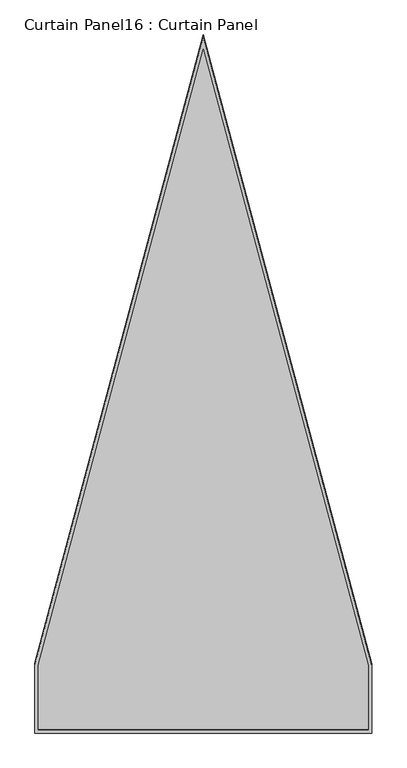
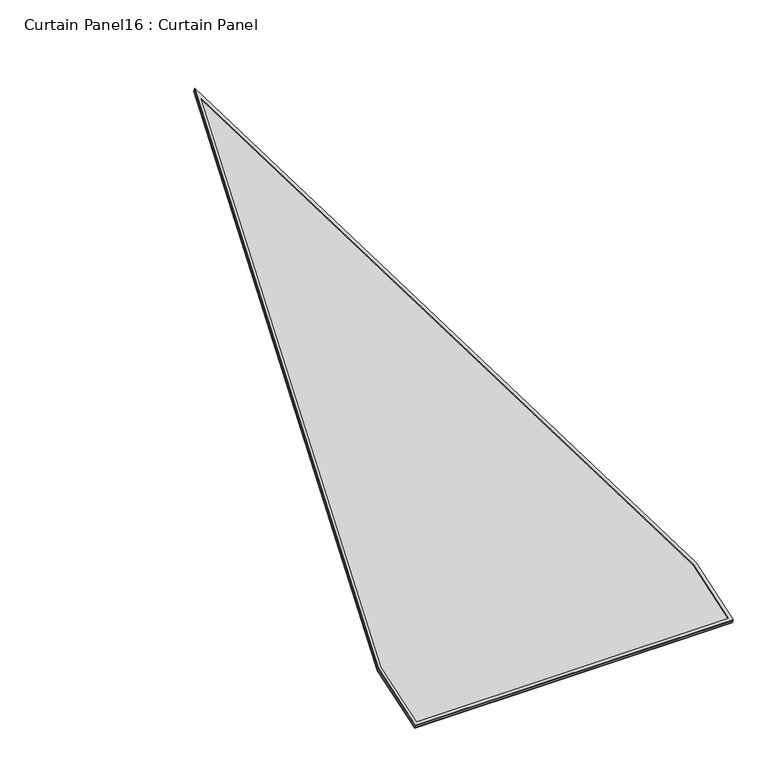
"""IFC4 building model written with IfcOpenShell, lengths in millimetres: plate geometry, Curtain Panel16 : Curtain Panel."""

import ifcopenshell
import ifcopenshell.guid

model = None  # the IFC model being written
_history = None  # IfcOwnerHistory: only IFC2X3 demands one
_inside = {}  # id of a spatial element -> (the spatial element, [elements in it])
_under = {}  # id of a project, library or spatial element -> (it, [spatial elements below it])
_declared = {}  # id of a project -> (the project, [libraries it declares])
_typed = {}  # id of a type object -> (the type object, [elements of that type])
_made_of = {}  # id of a material, layer set ... -> (it, [elements and type objects made of it])


def new_model(schema):
    """Start an empty IFC model of exactly this schema.

    Asked for "IFC4X3", IfcOpenShell would pick the latest addendum, in which some entities
    have other attributes; the version numbers below select the first issue.
    IFC2X3 requires an IfcOwnerHistory on every rooted entity: one is made here for all.
    """
    global model, _history
    if schema == "IFC4X3":
        model = ifcopenshell.file(schema_version=(4, 3, 0, 0))
    else:
        model = ifcopenshell.file(schema=schema)
    _inside.clear()
    _under.clear()
    _declared.clear()
    _typed.clear()
    _made_of.clear()
    _history = None
    if model.schema == "IFC2X3":
        org = make("IfcOrganization", Name="unknown")
        user = make(
            "IfcPersonAndOrganization",
            ThePerson=make("IfcPerson", FamilyName="unknown"),
            TheOrganization=org,
        )
        app = make(
            "IfcApplication",
            ApplicationDeveloper=org,
            Version="unknown",
            ApplicationFullName="unknown",
            ApplicationIdentifier="unknown",
        )
        _history = make(
            "IfcOwnerHistory",
            OwningUser=user,
            OwningApplication=app,
            ChangeAction="ADDED",
            CreationDate=0,
        )
    return model


def make(cls, **values):
    """One entity of the class cls with the attributes given. An attribute that is None is left unset."""
    return model.create_entity(
        cls, **{name: value for name, value in values.items() if value is not None}
    )


def rooted(cls, **values):
    """An entity with a GlobalId (a new one), such as an element, a storey or a relation."""
    return make(cls, GlobalId=ifcopenshell.guid.new(), OwnerHistory=_history, **values)


def si_unit(unit_type, name, prefix=None):
    """IfcSIUnit, for example si_unit("LENGTHUNIT", "METRE", prefix="MILLI")."""
    return make("IfcSIUnit", UnitType=unit_type, Prefix=prefix, Name=name)


def assignment(units):
    """IfcUnitAssignment: the units of a project."""
    return None if units is None else make("IfcUnitAssignment", Units=units)


def point(xyz):
    """IfcCartesianPoint."""
    return None if xyz is None else make("IfcCartesianPoint", Coordinates=xyz)


def direction(xyz):
    """IfcDirection."""
    return None if xyz is None else make("IfcDirection", DirectionRatios=xyz)


def frame(location, z_axis=None, x_axis=None):
    """IfcAxis2Placement3D, a coordinate frame: its origin and axes. An axis left out is left unset."""
    return make(
        "IfcAxis2Placement3D",
        Location=point(location),
        Axis=direction(z_axis),
        RefDirection=direction(x_axis),
    )


def origin():
    """The frame at (0, 0, 0) with its axes left unset."""
    return frame((0.0, 0.0, 0.0))


def place(relative_to, where):
    """IfcLocalPlacement: puts the frame where relative to a parent placement (None: the world)."""
    return make(
        "IfcLocalPlacement", PlacementRelTo=relative_to, RelativePlacement=where
    )


def context(
    kind, dimensions, precision=None, world=None, true_north=None, identifier=None
):
    """IfcGeometricRepresentationContext, for example the 3D "Model" context."""
    return make(
        "IfcGeometricRepresentationContext",
        ContextIdentifier=identifier,
        ContextType=kind,
        CoordinateSpaceDimension=dimensions,
        Precision=precision,
        WorldCoordinateSystem=world,
        TrueNorth=true_north,
    )


def project(units=None, contexts=None):
    """IfcProject with its units and contexts."""
    return rooted(
        "IfcProject",
        Name="project",
        RepresentationContexts=contexts,
        UnitsInContext=assignment(units),
    )


def spatial(cls, under=None, at=None, **own):
    """A site, building, storey or space (cls), placed at a placement, below another one or the project."""
    s = rooted(cls, ObjectPlacement=at, **own)
    if under is not None:
        _under.setdefault(under.id(), (under, []))[1].append(s)
    return s


def polyline(points):
    """IfcPolyline through the points."""
    return make("IfcPolyline", Points=[point(p) for p in points])


def outline(outer, holes=None, kind="AREA"):
    """IfcArbitraryClosedProfileDef: a profile drawn as a closed curve; with holes, ...WithVoids."""
    if holes is None:
        return make("IfcArbitraryClosedProfileDef", ProfileType=kind, OuterCurve=outer)
    return make(
        "IfcArbitraryProfileDefWithVoids",
        ProfileType=kind,
        OuterCurve=outer,
        InnerCurves=holes,
    )


def extrude(swept, where, along, depth):
    """IfcExtrudedAreaSolid: the profile swept, set in the frame where, extruded along a direction by depth."""
    return make(
        "IfcExtrudedAreaSolid",
        SweptArea=swept,
        Position=where,
        ExtrudedDirection=direction(along),
        Depth=depth,
    )


def shape(context_of_items, identifier, shape_type, items):
    """IfcShapeRepresentation: the items that make up one representation, for example the "Body"."""
    return make(
        "IfcShapeRepresentation",
        ContextOfItems=context_of_items,
        RepresentationIdentifier=identifier,
        RepresentationType=shape_type,
        Items=items,
    )


def source(mapping_origin, context_of_items, identifier, shape_type, items):
    """IfcRepresentationMap: a shape defined once, which mapped items show again and again."""
    return make(
        "IfcRepresentationMap",
        MappingOrigin=mapping_origin,
        MappedRepresentation=shape(context_of_items, identifier, shape_type, items),
    )


def transform(
    local_origin,
    x_axis=None,
    y_axis=None,
    z_axis=None,
    scale=None,
    scale2=None,
    scale3=None,
    uniform=True,
):
    """IfcCartesianTransformationOperator3D, or its non-uniform kind. x_axis, y_axis, z_axis: its Axis1, 2, 3."""
    if uniform:
        return make(
            "IfcCartesianTransformationOperator3D",
            Axis1=direction(x_axis),
            Axis2=direction(y_axis),
            LocalOrigin=point(local_origin),
            Scale=scale,
            Axis3=direction(z_axis),
        )
    return make(
        "IfcCartesianTransformationOperator3DnonUniform",
        Axis1=direction(x_axis),
        Axis2=direction(y_axis),
        LocalOrigin=point(local_origin),
        Scale=scale,
        Axis3=direction(z_axis),
        Scale2=scale2,
        Scale3=scale3,
    )


def mapped(mapping_source, mapping_target):
    """IfcMappedItem: shows the shape of a source again, moved by a transform."""
    return make(
        "IfcMappedItem", MappingSource=mapping_source, MappingTarget=mapping_target
    )


def made_of(thing, what):
    """Note that an element or type object is made of a material, layer set ...; save() writes the relation."""
    if what is not None:
        _made_of.setdefault(what.id(), (what, []))[1].append(thing)
    return thing


def element(
    cls,
    number,
    at=None,
    inside=None,
    cuts=None,
    type_object=None,
    material=None,
    context=None,
    identifier="Body",
    shape_type=None,
    held_by="IfcProductDefinitionShape",
    body=None,
    shapes=None,
    **own,
):
    """One element of the class cls, such as IfcWall. Its Tag is "e" and its number.

    at: its placement. inside: the storey or other place that contains it. cuts: it is an
    opening in that element (IfcRelVoidsElement). A single representation is given by context,
    identifier, shape_type and body (its items); several are given by shapes. held_by: the class
    of the entity that holds the representations. save() writes the other relations.
    """
    e = rooted(cls, Tag="e%d" % number, ObjectPlacement=at, **own)
    if body is not None:
        shapes = [shape(context, identifier, shape_type, body)]
    if shapes is not None:
        e.Representation = make(held_by, Representations=shapes)
    if inside is not None:
        _inside.setdefault(inside.id(), (inside, []))[1].append(e)
    if cuts is not None:
        rooted(
            "IfcRelVoidsElement", RelatingBuildingElement=cuts, RelatedOpeningElement=e
        )
    if type_object is not None:
        _typed.setdefault(type_object.id(), (type_object, []))[1].append(e)
    return made_of(e, material)


def aggregate(whole, parts):
    """IfcRelAggregates: a whole, such as a stair, and the parts it consists of."""
    return rooted("IfcRelAggregates", RelatingObject=whole, RelatedObjects=parts)


def save(model, path):
    """Write the relations noted so far, then the file.

    IfcRelAggregates (storeys below a building ...), IfcRelContainedInSpatialStructure (elements
    in a storey), IfcRelDefinesByType, IfcRelAssociatesMaterial and IfcRelDeclares: one each for
    every whole, place, type object, material and project.
    """
    for whole, parts in _under.values():
        aggregate(whole, parts)
    for where, things in _inside.values():
        rooted(
            "IfcRelContainedInSpatialStructure",
            RelatedElements=things,
            RelatingStructure=where,
        )
    for kind, things in _typed.values():
        rooted("IfcRelDefinesByType", RelatedObjects=things, RelatingType=kind)
    for what, things in _made_of.values():
        rooted("IfcRelAssociatesMaterial", RelatedObjects=things, RelatingMaterial=what)
    for by, libraries in _declared.values():
        rooted("IfcRelDeclares", RelatingContext=by, RelatedDefinitions=libraries)
    model.write(path)


def curtain_panel16_curtain_panel_90636290(model_context):
    return source(origin(), model_context, "Body", "SweptSolid", [
        extrude(outline(polyline([(848.0935485, -3697.0116925), (0.0, -360.7696549), (0.0, 0.0), (1695.618073, 0.0), (1695.618073, -363.0080891), (848.0935485, -3697.0116925)]), holes=[polyline([(1679.1519853, -16.4660876), (16.4660877, -16.4660876), (16.4660877, -358.7095246), (848.0935485, -3630.1770407), (1679.1519853, -360.9479588), (1679.1519853, -16.4660876)])]), frame((13134.8578014, -2224.7124261, 1929.7621028), z_axis=(0.0, -0.31614582397380575, 0.9487106081329141), x_axis=(-1.0, 0.0, 0.0)), (0.0, 0.0, 1.0), 4.8358166),
        extrude(outline(polyline([(848.2902587, -3698.0068353), (0.0, -360.9909762), (0.0, 0.0), (1696.0114934, 0.0), (1696.0114934, -363.2294105), (848.2902587, -3698.0068353)]), holes=[polyline([(1685.6986955, -10.3127979), (10.3127979, -10.3127979), (10.3127979, -359.7007058), (848.2902587, -3656.147939), (1685.6986955, -361.93914), (1685.6986955, -10.3127979)])]), frame((13135.0545116, -2219.3276287, 1912.9808447), z_axis=(0.0, -0.3161458239738058, 0.948710608132914), x_axis=(-1.0, 0.0, 0.0)), (0.0, 0.0, 1.0), 4.8417847),
        extrude(outline(polyline([(12.7, 0.0), (1708.318073, 0.0), (1708.318073, -363.2047994), (860.7935485, -3697.2084028), (12.7, -360.9663651), (12.7, 0.0)])), frame((13147.5578014, -2220.8583387, 1917.5742972), z_axis=(0.0, -0.3161458239738058, 0.948710608132914), x_axis=(-1.0, 0.0, 0.0)), (0.0, 0.0, 1.0), 12.7811541),
    ])


if __name__ == "__main__":
    model = new_model("IFC4")
    model_context = context("Model", 3, world=origin())
    ifc_project = project(units=[si_unit("LENGTHUNIT", "METRE", prefix="MILLI")], contexts=[model_context])
    site = spatial("IfcSite", under=ifc_project)
    building = spatial("IfcBuilding", under=site)
    placement = place(None, origin())
    curtain_panel16_curtain_panel_shape = curtain_panel16_curtain_panel_90636290(model_context)
    element("IfcPlate", 1, ObjectType="Curtain Panel16 : Curtain Panel", at=placement, inside=building, context=model_context, shape_type="MappedRepresentation", body=[
        mapped(curtain_panel16_curtain_panel_shape, transform((0.0, 0.0, 0.0), x_axis=(1.0, 0.0, 0.0), y_axis=(0.0, 1.0, 0.0), z_axis=(0.0, 0.0, 1.0))),
    ])
    save(model, "model.ifc")
